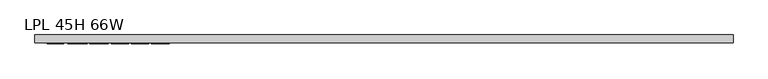
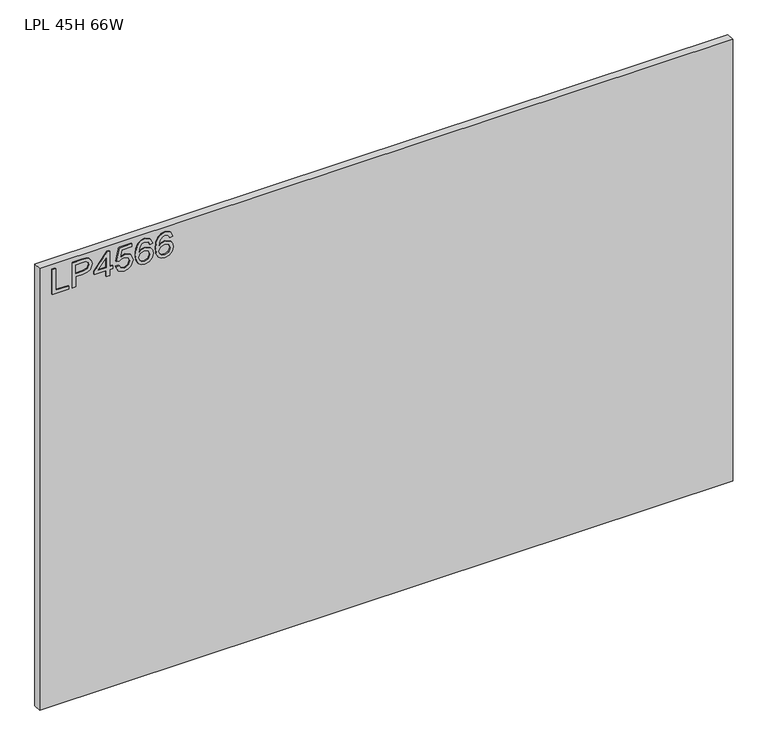
"""IFC4 building model written with IfcOpenShell, lengths in millimetres: furniture geometry, LPL 45H 66W."""

from ifc_helpers import new_model, si_unit, frame, origin, place, context, project, spatial, polyline, outline, extrude, source, transform, mapped, element, save


def lpl_45h_66w_143eb567(model_context):
    return source(origin(), model_context, "Body", "SweptSolid", [
        extrude(outline(polyline([(2078.1034502, 29.4553512), (2078.1034502, 69.3239493), (2086.0771698, 69.3239493), (2086.0771698, 37.4290708), (2141.8932071, 37.4290708), (2141.8932071, 29.4553512), (2078.1034502, 29.4553512)])), frame((0.0, -21.68525, 0.0), z_axis=(0.0, 1.0, 0.0), x_axis=(0.0, 0.0, 1.0)), (0.0, 0.0, 1.0), 2.38125),
        extrude(outline(polyline([(2078.1034502, 78.2943838), (2078.1034502, 86.2681034), (2104.018039, 86.2681034), (2104.018039, 102.4802951), (2105.4274562, 113.8081941), (2109.6557079, 121.0051769), (2123.4384069, 126.1367015), (2132.1363022, 124.2367137), (2138.3034759, 119.2142047), (2141.285834, 111.4663033), (2141.8932071, 101.9352166), (2141.8932071, 78.2943838), (2078.1034502, 78.2943838)]), holes=[polyline([(2111.9917586, 86.2681034), (2133.9194875, 86.2681034), (2133.9194875, 102.7606212), (2133.374409, 110.7343408), (2129.7613173, 116.1150442), (2123.1580808, 118.1629819), (2114.9196087, 114.6900533), (2111.9917586, 102.9475052), (2111.9917586, 86.2681034)])]), frame((0.0, -21.68525, 0.0), z_axis=(0.0, 1.0, 0.0), x_axis=(0.0, 0.0, 1.0)), (0.0, 0.0, 1.0), 2.38125),
        extrude(outline(polyline([(2078.1034502, 160.0250099), (2078.1034502, 167.9987295), (2093.0541745, 167.9987295), (2093.0541745, 175.9724491), (2101.0278941, 175.9724491), (2101.0278941, 167.9987295), (2140.8964922, 167.9987295), (2140.8964922, 162.0184398), (2101.0278941, 131.1202763), (2093.0541745, 131.1202763), (2093.0541745, 160.0250099), (2078.1034502, 160.0250099)]), holes=[polyline([(2101.0278941, 160.0250099), (2101.0278941, 140.9316891), (2125.6654418, 160.0250099), (2101.0278941, 160.0250099)])]), frame((0.0, -21.68525, 0.0), z_axis=(0.0, 1.0, 0.0), x_axis=(0.0, 0.0, 1.0)), (0.0, 0.0, 1.0), 2.38125),
        extrude(outline(polyline([(2095.0476044, 182.9494538), (2082.0202285, 189.1711354), (2077.1067352, 203.2419473), (2079.0184034, 212.632871), (2084.7534078, 219.8123334), (2099.5483953, 224.8114818), (2114.2499409, 219.259468), (2119.9654782, 205.624719), (2115.3556715, 193.9600393), (2132.9227726, 197.3706733), (2132.9227726, 221.821337), (2140.8964922, 221.821337), (2140.8964922, 190.9231734), (2108.0048988, 183.9461688), (2107.0081838, 191.9198884), (2110.6057018, 196.3973188), (2111.9917586, 203.397684), (2108.5188299, 213.4972097), (2099.0500379, 216.8377622), (2088.9037911, 213.2713915), (2085.0804549, 203.2730946), (2087.8292078, 194.9411806), (2096.0443193, 190.9231734), (2095.0476044, 182.9494538)])), frame((0.0, -21.68525, 0.0), z_axis=(0.0, 1.0, 0.0), x_axis=(0.0, 0.0, 1.0)), (0.0, 0.0, 1.0), 2.38125),
        extrude(outline(polyline([(2124.949053, 272.6537995), (2137.3924162, 266.7669518), (2141.8932071, 254.1678519), (2140.074981, 244.9131978), (2134.6203027, 237.7687762), (2123.7615605, 232.5360227), (2107.8803094, 230.7917715), (2093.7549897, 232.3627656), (2084.270624, 237.0757478), (2078.8977074, 244.2805174), (2077.1067352, 253.3268736), (2079.8087672, 263.776807), (2087.5956028, 271.018564), (2098.5984014, 273.6505145), (2106.7706853, 272.2527775), (2113.2843733, 268.0595665), (2118.9687632, 254.5104727), (2116.8896781, 245.7970037), (2110.5278335, 238.7654911), (2124.7388084, 241.0314603), (2131.9883523, 246.4744583), (2133.9194875, 253.6694944), (2130.6022956, 261.6587877), (2123.952338, 264.6800799), (2124.949053, 272.6537995)]), holes=[polyline([(2098.7229908, 238.7654911), (2107.6077702, 242.7289904), (2110.9950436, 252.3768797), (2107.6077702, 262.1493583), (2098.333649, 265.6767948), (2088.6468256, 262.1026373), (2085.0804549, 252.7039268), (2086.8013455, 245.5166776), (2091.8160676, 240.6109712), (2098.7229908, 238.7654911)])]), frame((0.0, -21.68525, 0.0), z_axis=(0.0, 1.0, 0.0), x_axis=(0.0, 0.0, 1.0)), (0.0, 0.0, 1.0), 2.38125),
        extrude(outline(polyline([(2124.949053, 321.4928322), (2137.3924162, 315.6059845), (2141.8932071, 303.0068845), (2140.074981, 293.7522305), (2134.6203027, 286.6078088), (2123.7615605, 281.3750553), (2107.8803094, 279.6308042), (2093.7549897, 281.2017983), (2084.270624, 285.9147805), (2078.8977074, 293.1195501), (2077.1067352, 302.1659063), (2079.8087672, 312.6158396), (2087.5956028, 319.8575967), (2098.5984014, 322.4895471), (2106.7706853, 321.0918101), (2113.2843733, 316.8985992), (2118.9687632, 303.3495053), (2116.8896781, 294.6360363), (2110.5278335, 287.6045238), (2124.7388084, 289.8704929), (2131.9883523, 295.313491), (2133.9194875, 302.5085271), (2130.6022956, 310.4978204), (2123.952338, 313.5191126), (2124.949053, 321.4928322)]), holes=[polyline([(2098.7229908, 287.6045238), (2107.6077702, 291.5680231), (2110.9950436, 301.2159124), (2107.6077702, 310.988391), (2098.333649, 314.5158275), (2088.6468256, 310.94167), (2085.0804549, 301.5429595), (2086.8013455, 294.3557102), (2091.8160676, 289.4500038), (2098.7229908, 287.6045238)])]), frame((0.0, -21.68525, 0.0), z_axis=(0.0, 1.0, 0.0), x_axis=(0.0, 0.0, 1.0)), (0.0, 0.0, 1.0), 2.38125),
        extrude(outline(polyline([(1676.4, 0.0), (1676.4, -19.304), (0.0, -19.304), (0.0, 0.0), (1676.4, 0.0)])), frame((0.0, 0.0, 1022.4262), z_axis=(0.0, 0.0, 1.0), x_axis=(1.0, 0.0, 0.0)), (0.0, 0.0, 1.0), 1130.3),
    ])


if __name__ == "__main__":
    model = new_model("IFC4")
    model_context = context("Model", 3, world=origin())
    ifc_project = project(units=[si_unit("LENGTHUNIT", "METRE", prefix="MILLI")], contexts=[model_context])
    site = spatial("IfcSite", under=ifc_project)
    building = spatial("IfcBuilding", under=site)
    placement = place(None, origin())
    lpl_45h_66w_shape = lpl_45h_66w_143eb567(model_context)
    element("IfcFurniture", 1, ObjectType="LPL 45H 66W", at=placement, inside=building, context=model_context, shape_type="MappedRepresentation", body=[
        mapped(lpl_45h_66w_shape, transform((0.0, 0.0, 0.0), x_axis=(1.0, 0.0, 0.0), y_axis=(0.0, 1.0, 0.0), z_axis=(0.0, 0.0, 1.0))),
    ])
    save(model, "model.ifc")
